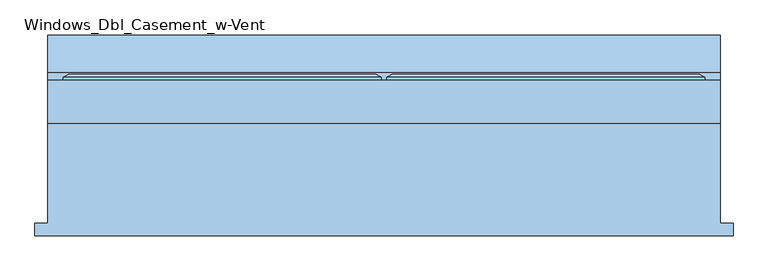
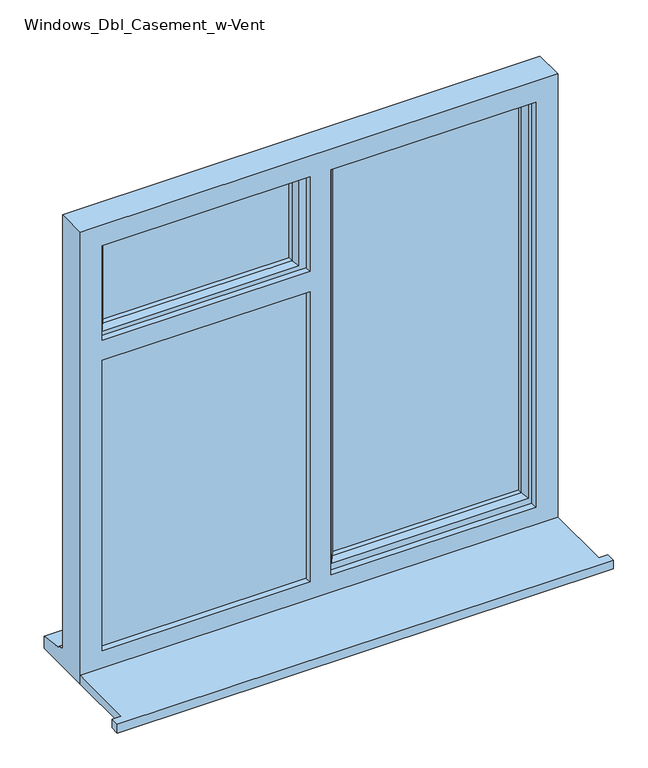
"""IFC4 building model written with IfcOpenShell, lengths in millimetres: window geometry, Windows_Dbl_Casement_w-Vent."""

import ifcopenshell
import ifcopenshell.guid

model = None  # the IFC model being written
_history = None  # IfcOwnerHistory: only IFC2X3 demands one
_inside = {}  # id of a spatial element -> (the spatial element, [elements in it])
_under = {}  # id of a project, library or spatial element -> (it, [spatial elements below it])
_declared = {}  # id of a project -> (the project, [libraries it declares])
_typed = {}  # id of a type object -> (the type object, [elements of that type])
_made_of = {}  # id of a material, layer set ... -> (it, [elements and type objects made of it])


def new_model(schema):
    """Start an empty IFC model of exactly this schema.

    Asked for "IFC4X3", IfcOpenShell would pick the latest addendum, in which some entities
    have other attributes; the version numbers below select the first issue.
    IFC2X3 requires an IfcOwnerHistory on every rooted entity: one is made here for all.
    """
    global model, _history
    if schema == "IFC4X3":
        model = ifcopenshell.file(schema_version=(4, 3, 0, 0))
    else:
        model = ifcopenshell.file(schema=schema)
    _inside.clear()
    _under.clear()
    _declared.clear()
    _typed.clear()
    _made_of.clear()
    _history = None
    if model.schema == "IFC2X3":
        org = make("IfcOrganization", Name="unknown")
        user = make(
            "IfcPersonAndOrganization",
            ThePerson=make("IfcPerson", FamilyName="unknown"),
            TheOrganization=org,
        )
        app = make(
            "IfcApplication",
            ApplicationDeveloper=org,
            Version="unknown",
            ApplicationFullName="unknown",
            ApplicationIdentifier="unknown",
        )
        _history = make(
            "IfcOwnerHistory",
            OwningUser=user,
            OwningApplication=app,
            ChangeAction="ADDED",
            CreationDate=0,
        )
    return model


def make(cls, **values):
    """One entity of the class cls with the attributes given. An attribute that is None is left unset."""
    return model.create_entity(
        cls, **{name: value for name, value in values.items() if value is not None}
    )


def rooted(cls, **values):
    """An entity with a GlobalId (a new one), such as an element, a storey or a relation."""
    return make(cls, GlobalId=ifcopenshell.guid.new(), OwnerHistory=_history, **values)


def si_unit(unit_type, name, prefix=None):
    """IfcSIUnit, for example si_unit("LENGTHUNIT", "METRE", prefix="MILLI")."""
    return make("IfcSIUnit", UnitType=unit_type, Prefix=prefix, Name=name)


def assignment(units):
    """IfcUnitAssignment: the units of a project."""
    return None if units is None else make("IfcUnitAssignment", Units=units)


def point(xyz):
    """IfcCartesianPoint."""
    return None if xyz is None else make("IfcCartesianPoint", Coordinates=xyz)


def direction(xyz):
    """IfcDirection."""
    return None if xyz is None else make("IfcDirection", DirectionRatios=xyz)


def frame(location, z_axis=None, x_axis=None):
    """IfcAxis2Placement3D, a coordinate frame: its origin and axes. An axis left out is left unset."""
    return make(
        "IfcAxis2Placement3D",
        Location=point(location),
        Axis=direction(z_axis),
        RefDirection=direction(x_axis),
    )


def origin():
    """The frame at (0, 0, 0) with its axes left unset."""
    return frame((0.0, 0.0, 0.0))


def place(relative_to, where):
    """IfcLocalPlacement: puts the frame where relative to a parent placement (None: the world)."""
    return make(
        "IfcLocalPlacement", PlacementRelTo=relative_to, RelativePlacement=where
    )


def context(
    kind, dimensions, precision=None, world=None, true_north=None, identifier=None
):
    """IfcGeometricRepresentationContext, for example the 3D "Model" context."""
    return make(
        "IfcGeometricRepresentationContext",
        ContextIdentifier=identifier,
        ContextType=kind,
        CoordinateSpaceDimension=dimensions,
        Precision=precision,
        WorldCoordinateSystem=world,
        TrueNorth=true_north,
    )


def project(units=None, contexts=None):
    """IfcProject with its units and contexts."""
    return rooted(
        "IfcProject",
        Name="project",
        RepresentationContexts=contexts,
        UnitsInContext=assignment(units),
    )


def spatial(cls, under=None, at=None, **own):
    """A site, building, storey or space (cls), placed at a placement, below another one or the project."""
    s = rooted(cls, ObjectPlacement=at, **own)
    if under is not None:
        _under.setdefault(under.id(), (under, []))[1].append(s)
    return s


def polyline(points):
    """IfcPolyline through the points."""
    return make("IfcPolyline", Points=[point(p) for p in points])


def outline(outer, holes=None, kind="AREA"):
    """IfcArbitraryClosedProfileDef: a profile drawn as a closed curve; with holes, ...WithVoids."""
    if holes is None:
        return make("IfcArbitraryClosedProfileDef", ProfileType=kind, OuterCurve=outer)
    return make(
        "IfcArbitraryProfileDefWithVoids",
        ProfileType=kind,
        OuterCurve=outer,
        InnerCurves=holes,
    )


def extrude(swept, where, along, depth):
    """IfcExtrudedAreaSolid: the profile swept, set in the frame where, extruded along a direction by depth."""
    return make(
        "IfcExtrudedAreaSolid",
        SweptArea=swept,
        Position=where,
        ExtrudedDirection=direction(along),
        Depth=depth,
    )


def faces_of(points, faces, orient=None, outer=None):
    """IfcFace entities. A face is a list of loops; a loop is a list of indices into points, from 0.

    orient and outer hold one flag for each loop. By default every Orientation is true, the
    first loop of a face is its IfcFaceOuterBound and the others are IfcFaceBound.
    """
    made = []
    for i, loops in enumerate(faces):
        bounds = []
        for j, loop in enumerate(loops):
            is_outer = j == 0 if outer is None else outer[i][j]
            bounds.append(
                make(
                    "IfcFaceOuterBound" if is_outer else "IfcFaceBound",
                    Bound=make("IfcPolyLoop", Polygon=[points[k] for k in loop]),
                    Orientation=True if orient is None else orient[i][j],
                )
            )
        made.append(make("IfcFace", Bounds=bounds))
    return made


def faceted_brep(points, faces, orient=None, outer=None, voids=None):
    """IfcFacetedBrep: a solid bounded by flat faces; with voids (closed shells), ...WithVoids."""
    shared = [point(p) for p in points]
    hull = make("IfcClosedShell", CfsFaces=faces_of(shared, faces, orient, outer))
    if voids is None:
        return make("IfcFacetedBrep", Outer=hull)
    return make(
        "IfcFacetedBrepWithVoids",
        Outer=hull,
        Voids=[
            make(cls, CfsFaces=faces_of(shared, fs, o, b)) for cls, fs, o, b in voids
        ],
    )


def shape(context_of_items, identifier, shape_type, items):
    """IfcShapeRepresentation: the items that make up one representation, for example the "Body"."""
    return make(
        "IfcShapeRepresentation",
        ContextOfItems=context_of_items,
        RepresentationIdentifier=identifier,
        RepresentationType=shape_type,
        Items=items,
    )


def source(mapping_origin, context_of_items, identifier, shape_type, items):
    """IfcRepresentationMap: a shape defined once, which mapped items show again and again."""
    return make(
        "IfcRepresentationMap",
        MappingOrigin=mapping_origin,
        MappedRepresentation=shape(context_of_items, identifier, shape_type, items),
    )


def transform(
    local_origin,
    x_axis=None,
    y_axis=None,
    z_axis=None,
    scale=None,
    scale2=None,
    scale3=None,
    uniform=True,
):
    """IfcCartesianTransformationOperator3D, or its non-uniform kind. x_axis, y_axis, z_axis: its Axis1, 2, 3."""
    if uniform:
        return make(
            "IfcCartesianTransformationOperator3D",
            Axis1=direction(x_axis),
            Axis2=direction(y_axis),
            LocalOrigin=point(local_origin),
            Scale=scale,
            Axis3=direction(z_axis),
        )
    return make(
        "IfcCartesianTransformationOperator3DnonUniform",
        Axis1=direction(x_axis),
        Axis2=direction(y_axis),
        LocalOrigin=point(local_origin),
        Scale=scale,
        Axis3=direction(z_axis),
        Scale2=scale2,
        Scale3=scale3,
    )


def mapped(mapping_source, mapping_target):
    """IfcMappedItem: shows the shape of a source again, moved by a transform."""
    return make(
        "IfcMappedItem", MappingSource=mapping_source, MappingTarget=mapping_target
    )


def made_of(thing, what):
    """Note that an element or type object is made of a material, layer set ...; save() writes the relation."""
    if what is not None:
        _made_of.setdefault(what.id(), (what, []))[1].append(thing)
    return thing


def element(
    cls,
    number,
    at=None,
    inside=None,
    cuts=None,
    type_object=None,
    material=None,
    context=None,
    identifier="Body",
    shape_type=None,
    held_by="IfcProductDefinitionShape",
    body=None,
    shapes=None,
    **own,
):
    """One element of the class cls, such as IfcWall. Its Tag is "e" and its number.

    at: its placement. inside: the storey or other place that contains it. cuts: it is an
    opening in that element (IfcRelVoidsElement). A single representation is given by context,
    identifier, shape_type and body (its items); several are given by shapes. held_by: the class
    of the entity that holds the representations. save() writes the other relations.
    """
    e = rooted(cls, Tag="e%d" % number, ObjectPlacement=at, **own)
    if body is not None:
        shapes = [shape(context, identifier, shape_type, body)]
    if shapes is not None:
        e.Representation = make(held_by, Representations=shapes)
    if inside is not None:
        _inside.setdefault(inside.id(), (inside, []))[1].append(e)
    if cuts is not None:
        rooted(
            "IfcRelVoidsElement", RelatingBuildingElement=cuts, RelatedOpeningElement=e
        )
    if type_object is not None:
        _typed.setdefault(type_object.id(), (type_object, []))[1].append(e)
    return made_of(e, material)


def aggregate(whole, parts):
    """IfcRelAggregates: a whole, such as a stair, and the parts it consists of."""
    return rooted("IfcRelAggregates", RelatingObject=whole, RelatedObjects=parts)


def save(model, path):
    """Write the relations noted so far, then the file.

    IfcRelAggregates (storeys below a building ...), IfcRelContainedInSpatialStructure (elements
    in a storey), IfcRelDefinesByType, IfcRelAssociatesMaterial and IfcRelDeclares: one each for
    every whole, place, type object, material and project.
    """
    for whole, parts in _under.values():
        aggregate(whole, parts)
    for where, things in _inside.values():
        rooted(
            "IfcRelContainedInSpatialStructure",
            RelatedElements=things,
            RelatingStructure=where,
        )
    for kind, things in _typed.values():
        rooted("IfcRelDefinesByType", RelatedObjects=things, RelatingType=kind)
    for what, things in _made_of.values():
        rooted("IfcRelAssociatesMaterial", RelatedObjects=things, RelatingMaterial=what)
    for by, libraries in _declared.values():
        rooted("IfcRelDeclares", RelatingContext=by, RelatedDefinitions=libraries)
    model.write(path)


def windows_dbl_casement_w_vent_3e9c0420(model_context):
    return source(origin(), model_context, "Body", "SolidModel", [
        extrude(outline(polyline([(-960.0, -179.5434322), (-960.0, -154.5434322), (-935.0, -154.5434322), (-935.0, 38.4565678), (365.0, 38.4565678), (365.0, -154.5434322), (390.0, -154.5434322), (390.0, -179.5434322), (-960.0, -179.5434322)])), frame((0.0, 0.0, 810.0), z_axis=(0.0, 0.0, 1.0), x_axis=(1.0, 0.0, 0.0)), (0.0, 0.0, 1.0), 25.0),
        faceted_brep([(-905.0, 121.4565678, 2080.0), (-905.0, 127.2300705, 2080.0), (-905.0, 127.2300705, 1750.0), (-905.0, 121.4565678, 1750.0), (-895.0, 56.4565678, 2070.0), (-895.0, 121.4565678, 2070.0), (-895.0, 121.4565678, 1760.0), (-895.0, 56.4565678, 1760.0), (-855.0, 70.9494677, 2030.0), (-865.1480377, 56.4565678, 2040.1480377), (-865.1480377, 56.4565678, 1789.8519623), (-855.0, 70.9494677, 1800.0), (-855.0, 85.4565678, 2030.0), (-855.0, 85.4565678, 1800.0), (-865.0, 109.4565678, 2040.0), (-865.0, 85.4565678, 2040.0), (-865.0, 85.4565678, 1790.0), (-865.0, 109.4565678, 1790.0), (-855.0, 127.2300705, 2030.0), (-855.0, 109.4565678, 2030.0), (-855.0, 109.4565678, 1800.0), (-855.0, 127.2300705, 1800.0), (-872.4457548, 133.0035732, 2047.4457548), (-872.4457548, 133.0035732, 1782.5542452), (-894.2153903, 133.0035732, 2069.2153903), (-894.2153903, 133.0035732, 1760.7846097), (-290.0, 127.2300705, 1750.0), (-290.0, 121.4565678, 1750.0), (-300.0, 121.4565678, 1760.0), (-300.0, 56.4565678, 1760.0), (-329.8519623, 56.4565678, 1789.8519623), (-340.0, 70.9494677, 1800.0), (-340.0, 85.4565678, 1800.0), (-330.0, 85.4565678, 1790.0), (-330.0, 109.4565678, 1790.0), (-340.0, 109.4565678, 1800.0), (-340.0, 127.2300705, 1800.0), (-322.5542452, 133.0035732, 1782.5542452), (-300.7846097, 133.0035732, 1760.7846097), (-290.0, 127.2300705, 2080.0), (-290.0, 121.4565678, 2080.0), (-300.0, 121.4565678, 2070.0), (-300.0, 56.4565678, 2070.0), (-329.8519623, 56.4565678, 2040.1480377), (-340.0, 70.9494677, 2030.0), (-340.0, 85.4565678, 2030.0), (-330.0, 85.4565678, 2040.0), (-330.0, 109.4565678, 2040.0), (-340.0, 109.4565678, 2030.0), (-340.0, 127.2300705, 2030.0), (-322.5542452, 133.0035732, 2047.4457548), (-300.7846097, 133.0035732, 2069.2153903)], [[[0, 1, 2, 3]], [[4, 5, 6, 7]], [[8, 9, 10, 11]], [[12, 8, 11, 13]], [[14, 15, 16, 17]], [[18, 19, 20, 21]], [[22, 18, 21, 23]], [[1, 24, 25, 2]], [[3, 2, 26, 27]], [[7, 6, 28, 29]], [[11, 10, 30, 31]], [[13, 11, 31, 32]], [[17, 16, 33, 34]], [[21, 20, 35, 36]], [[23, 21, 36, 37]], [[2, 25, 38, 26]], [[27, 26, 39, 40]], [[29, 28, 41, 42]], [[31, 30, 43, 44]], [[32, 31, 44, 45]], [[34, 33, 46, 47]], [[36, 35, 48, 49]], [[37, 36, 49, 50]], [[26, 38, 51, 39]], [[40, 39, 1, 0]], [[3, 27, 40, 0], [5, 41, 28, 6]], [[42, 41, 5, 4]], [[7, 29, 42, 4], [9, 43, 30, 10]], [[44, 43, 9, 8]], [[45, 44, 8, 12]], [[15, 46, 33, 16], [13, 32, 45, 12]], [[47, 46, 15, 14]], [[17, 34, 47, 14], [19, 48, 35, 20]], [[49, 48, 19, 18]], [[50, 49, 18, 22]], [[24, 51, 38, 25], [23, 37, 50, 22]], [[39, 51, 24, 1]]]),
        extrude(outline(polyline([(295.0, 85.4565678), (-240.0, 85.4565678), (-240.0, 109.4565678), (295.0, 109.4565678), (295.0, 85.4565678)])), frame((0.0, 0.0, 903.0), z_axis=(0.0, 0.0, 1.0), x_axis=(1.0, 0.0, 0.0)), (0.0, 0.0, 1.0), 1137.0),
        extrude(outline(polyline([(-330.0, 85.4565678), (-865.0, 85.4565678), (-865.0, 109.4565678), (-330.0, 109.4565678), (-330.0, 85.4565678)])), frame((0.0, 0.0, 1790.0), z_axis=(0.0, 0.0, 1.0), x_axis=(1.0, 0.0, 0.0)), (0.0, 0.0, 1.0), 250.0),
        extrude(outline(polyline([(-895.0, 80.4565678), (-300.0, 80.4565678), (-300.0, 56.4565678), (-895.0, 56.4565678), (-895.0, 80.4565678)])), frame((0.0, 0.0, 873.0), z_axis=(0.0, 0.0, 1.0), x_axis=(1.0, 0.0, 0.0)), (0.0, 0.0, 1.0), 857.0),
        faceted_brep([(365.0, 38.4565678, 2110.0), (-935.0, 38.4565678, 2110.0), (-935.0, 38.4565678, 810.0), (365.0, 38.4565678, 810.0), (-875.0, 38.4565678, 885.0), (-875.0, 38.4565678, 1720.0), (-310.0, 38.4565678, 1720.0), (-310.0, 38.4565678, 885.0), (-875.0, 38.4565678, 2050.0), (-310.0, 38.4565678, 2050.0), (-310.0, 38.4565678, 1778.0), (-875.0, 38.4565678, 1778.0), (-252.0, 38.4565678, 2050.0), (305.0, 38.4565678, 2050.0), (305.0, 38.4565678, 885.0), (-252.0, 38.4565678, 885.0), (-935.0, 121.4565678, 2110.0), (-935.0, 121.4565678, 861.0), (-935.0, 136.4565678, 859.68767), (-935.0, 136.4565678, 854.7449676), (-935.0, 208.9565678, 843.8088847), (-935.0, 208.9565678, 810.0), (365.0, 121.4565678, 2110.0), (365.0, 121.4565678, 861.0), (-310.0, 121.4565678, 873.0), (-310.0, 121.4565678, 1720.0), (-895.0, 121.4565678, 1720.0), (-895.0, 121.4565678, 873.0), (-310.0, 121.4565678, 2070.0), (-895.0, 121.4565678, 2070.0), (-895.0, 121.4565678, 1760.0), (-310.0, 121.4565678, 1760.0), (325.0, 121.4565678, 873.0), (325.0, 121.4565678, 2070.0), (-270.0, 121.4565678, 2070.0), (-270.0, 121.4565678, 873.0), (-895.0, 56.4565678, 2070.0), (-895.0, 56.4565678, 1760.0), (-895.0, 56.4565678, 1730.0), (-895.0, 56.4565678, 873.0), (-895.0, 80.4565678, 1720.0), (-895.0, 80.4565678, 1730.0), (-300.0, 56.4565678, 2070.0), (-300.0, 56.4565678, 1760.0), (-310.0, 56.4565678, 2050.0), (-875.0, 56.4565678, 2050.0), (-875.0, 56.4565678, 1778.0), (-310.0, 56.4565678, 1778.0), (-270.0, 56.4565678, 2070.0), (325.0, 56.4565678, 2070.0), (325.0, 56.4565678, 873.0), (-270.0, 56.4565678, 873.0), (305.0, 56.4565678, 2050.0), (-252.0, 56.4565678, 2050.0), (-252.0, 56.4565678, 885.0), (305.0, 56.4565678, 885.0), (-300.0, 56.4565678, 873.0), (-300.0, 56.4565678, 1730.0), (-875.0, 56.4565678, 885.0), (-310.0, 56.4565678, 885.0), (-310.0, 56.4565678, 1720.0), (-875.0, 56.4565678, 1720.0), (-310.0, 80.4565678, 2070.0), (-300.0, 80.4565678, 2070.0), (365.0, 208.9565678, 810.0), (365.0, 208.9565678, 843.8088847), (365.0, 136.4565678, 854.7449676), (365.0, 136.4565678, 859.68767), (-300.0, 80.4565678, 1760.0), (-300.0, 80.4565678, 1730.0), (-300.0, 80.4565678, 873.0), (-310.0, 80.4565678, 1760.0), (-310.0, 80.4565678, 873.0), (-310.0, 80.4565678, 1720.0)], [[[0, 1, 2, 3], [4, 5, 6, 7], [8, 9, 10, 11], [12, 13, 14, 15]], [[1, 16, 17, 18, 19, 20, 21, 2]], [[16, 22, 23, 17], [24, 25, 26, 27], [28, 29, 30, 31], [32, 33, 34, 35]], [[29, 36, 37, 30]], [[38, 39, 27, 26, 40, 41]], [[36, 42, 43, 37], [44, 45, 46, 47]], [[48, 49, 50, 51], [52, 53, 54, 55]], [[56, 39, 38, 57], [58, 59, 60, 61]], [[45, 8, 11, 46]], [[4, 58, 61, 5]], [[1, 0, 22, 16]], [[36, 29, 28, 62, 63, 42]], [[33, 49, 48, 34]], [[8, 45, 44, 9]], [[52, 13, 12, 53]], [[22, 0, 3, 64, 65, 66, 67, 23]], [[33, 32, 50, 49]], [[13, 52, 55, 14]], [[43, 42, 63, 68]], [[69, 70, 56, 57]], [[63, 62, 71, 68]], [[72, 70, 69, 41, 40, 73]], [[62, 28, 31, 71]], [[24, 72, 73, 25]], [[35, 34, 48, 51]], [[53, 12, 15, 54]], [[9, 44, 47, 10]], [[59, 7, 6, 60]], [[64, 3, 2, 21]], [[65, 64, 21, 20]], [[66, 65, 20, 19]], [[67, 66, 19, 18]], [[23, 67, 18, 17]], [[24, 27, 39, 56, 70, 72]], [[32, 35, 51, 50]], [[15, 14, 55, 54]], [[59, 58, 4, 7]], [[57, 38, 41, 69]], [[26, 25, 73, 40]], [[31, 30, 37, 43, 68, 71]], [[47, 46, 11, 10]], [[61, 60, 6, 5]]]),
        extrude(outline(polyline([(1720.0, -875.0), (1720.0, -895.0), (873.0, -895.0), (873.0, -310.0), (893.0, -310.0), (893.0, -875.0), (1720.0, -875.0)])), frame((0.0, 80.4565678, 0.0), z_axis=(0.0, 1.0, 0.0), x_axis=(0.0, 0.0, 1.0)), (0.0, 0.0, 1.0), 41.0),
        faceted_brep([(-280.0, 121.4565678, 2080.0), (-280.0, 127.2300705, 2080.0), (-280.0, 127.2300705, 863.0), (-280.0, 121.4565678, 863.0), (-270.0, 56.4565678, 2070.0), (-270.0, 121.4565678, 2070.0), (-270.0, 121.4565678, 873.0), (-270.0, 56.4565678, 873.0), (-230.0, 70.9494677, 2030.0), (-240.1480377, 56.4565678, 2040.1480377), (-240.1480377, 56.4565678, 902.8519623), (-230.0, 70.9494677, 913.0), (-230.0, 85.4565678, 2030.0), (-230.0, 85.4565678, 913.0), (-240.0, 109.4565678, 2040.0), (-240.0, 85.4565678, 2040.0), (-240.0, 85.4565678, 903.0), (-240.0, 109.4565678, 903.0), (-230.0, 127.2300705, 2030.0), (-230.0, 109.4565678, 2030.0), (-230.0, 109.4565678, 913.0), (-230.0, 127.2300705, 913.0), (-247.4457548, 133.0035732, 2047.4457548), (-247.4457548, 133.0035732, 895.5542452), (-269.2153903, 133.0035732, 2069.2153903), (-269.2153903, 133.0035732, 873.7846097), (335.0, 127.2300705, 863.0), (335.0, 121.4565678, 863.0), (325.0, 121.4565678, 873.0), (325.0, 56.4565678, 873.0), (295.1480377, 56.4565678, 902.8519623), (285.0, 70.9494677, 913.0), (285.0, 85.4565678, 913.0), (295.0, 85.4565678, 903.0), (295.0, 109.4565678, 903.0), (285.0, 109.4565678, 913.0), (285.0, 127.2300705, 913.0), (302.4457548, 133.0035732, 895.5542452), (324.2153903, 133.0035732, 873.7846097), (335.0, 127.2300705, 2080.0), (335.0, 121.4565678, 2080.0), (325.0, 121.4565678, 2070.0), (325.0, 56.4565678, 2070.0), (295.1480377, 56.4565678, 2040.1480377), (285.0, 70.9494677, 2030.0), (285.0, 85.4565678, 2030.0), (295.0, 85.4565678, 2040.0), (295.0, 109.4565678, 2040.0), (285.0, 109.4565678, 2030.0), (285.0, 127.2300705, 2030.0), (302.4457548, 133.0035732, 2047.4457548), (324.2153903, 133.0035732, 2069.2153903)], [[[0, 1, 2, 3]], [[4, 5, 6, 7]], [[8, 9, 10, 11]], [[12, 8, 11, 13]], [[14, 15, 16, 17]], [[18, 19, 20, 21]], [[22, 18, 21, 23]], [[1, 24, 25, 2]], [[3, 2, 26, 27]], [[7, 6, 28, 29]], [[11, 10, 30, 31]], [[13, 11, 31, 32]], [[17, 16, 33, 34]], [[21, 20, 35, 36]], [[23, 21, 36, 37]], [[2, 25, 38, 26]], [[27, 26, 39, 40]], [[29, 28, 41, 42]], [[31, 30, 43, 44]], [[32, 31, 44, 45]], [[34, 33, 46, 47]], [[36, 35, 48, 49]], [[37, 36, 49, 50]], [[26, 38, 51, 39]], [[40, 39, 1, 0]], [[3, 27, 40, 0], [5, 41, 28, 6]], [[42, 41, 5, 4]], [[7, 29, 42, 4], [9, 43, 30, 10]], [[44, 43, 9, 8]], [[45, 44, 8, 12]], [[15, 46, 33, 16], [13, 32, 45, 12]], [[47, 46, 15, 14]], [[17, 34, 47, 14], [19, 48, 35, 20]], [[49, 48, 19, 18]], [[50, 49, 18, 22]], [[24, 51, 38, 25], [23, 37, 50, 22]], [[39, 51, 24, 1]]]),
    ])


if __name__ == "__main__":
    model = new_model("IFC4")
    model_context = context("Model", 3, world=origin())
    ifc_project = project(units=[si_unit("LENGTHUNIT", "METRE", prefix="MILLI")], contexts=[model_context])
    site = spatial("IfcSite", under=ifc_project)
    building = spatial("IfcBuilding", under=site)
    placement = place(None, origin())
    windows_dbl_casement_w_vent_shape = windows_dbl_casement_w_vent_3e9c0420(model_context)
    element("IfcWindow", 1, ObjectType="Windows_Dbl_Casement_w-Vent", at=placement, inside=building, context=model_context, shape_type="MappedRepresentation", body=[
        mapped(windows_dbl_casement_w_vent_shape, transform((0.0, 0.0, 0.0), x_axis=(1.0, 0.0, 0.0), y_axis=(0.0, 1.0, 0.0), z_axis=(0.0, 0.0, 1.0))),
    ])
    save(model, "model.ifc")
